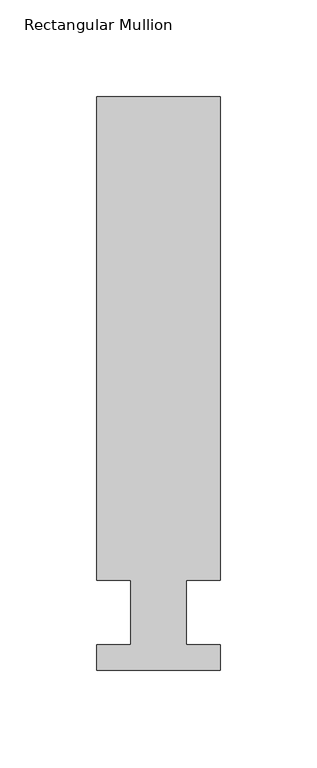
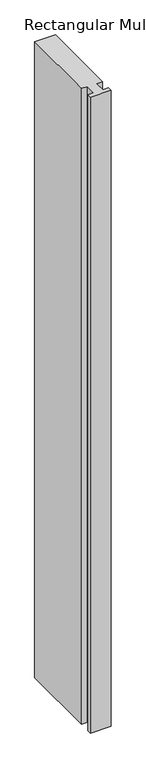
"""IFC4 building model written with IfcOpenShell, lengths in millimetres: member geometry, Rectangular Mullion."""

import ifcopenshell
import ifcopenshell.guid

model = None  # the IFC model being written
_history = None  # IfcOwnerHistory: only IFC2X3 demands one
_inside = {}  # id of a spatial element -> (the spatial element, [elements in it])
_under = {}  # id of a project, library or spatial element -> (it, [spatial elements below it])
_declared = {}  # id of a project -> (the project, [libraries it declares])
_typed = {}  # id of a type object -> (the type object, [elements of that type])
_made_of = {}  # id of a material, layer set ... -> (it, [elements and type objects made of it])


def new_model(schema):
    """Start an empty IFC model of exactly this schema.

    Asked for "IFC4X3", IfcOpenShell would pick the latest addendum, in which some entities
    have other attributes; the version numbers below select the first issue.
    IFC2X3 requires an IfcOwnerHistory on every rooted entity: one is made here for all.
    """
    global model, _history
    if schema == "IFC4X3":
        model = ifcopenshell.file(schema_version=(4, 3, 0, 0))
    else:
        model = ifcopenshell.file(schema=schema)
    _inside.clear()
    _under.clear()
    _declared.clear()
    _typed.clear()
    _made_of.clear()
    _history = None
    if model.schema == "IFC2X3":
        org = make("IfcOrganization", Name="unknown")
        user = make(
            "IfcPersonAndOrganization",
            ThePerson=make("IfcPerson", FamilyName="unknown"),
            TheOrganization=org,
        )
        app = make(
            "IfcApplication",
            ApplicationDeveloper=org,
            Version="unknown",
            ApplicationFullName="unknown",
            ApplicationIdentifier="unknown",
        )
        _history = make(
            "IfcOwnerHistory",
            OwningUser=user,
            OwningApplication=app,
            ChangeAction="ADDED",
            CreationDate=0,
        )
    return model


def make(cls, **values):
    """One entity of the class cls with the attributes given. An attribute that is None is left unset."""
    return model.create_entity(
        cls, **{name: value for name, value in values.items() if value is not None}
    )


def rooted(cls, **values):
    """An entity with a GlobalId (a new one), such as an element, a storey or a relation."""
    return make(cls, GlobalId=ifcopenshell.guid.new(), OwnerHistory=_history, **values)


def si_unit(unit_type, name, prefix=None):
    """IfcSIUnit, for example si_unit("LENGTHUNIT", "METRE", prefix="MILLI")."""
    return make("IfcSIUnit", UnitType=unit_type, Prefix=prefix, Name=name)


def assignment(units):
    """IfcUnitAssignment: the units of a project."""
    return None if units is None else make("IfcUnitAssignment", Units=units)


def point(xyz):
    """IfcCartesianPoint."""
    return None if xyz is None else make("IfcCartesianPoint", Coordinates=xyz)


def direction(xyz):
    """IfcDirection."""
    return None if xyz is None else make("IfcDirection", DirectionRatios=xyz)


def frame(location, z_axis=None, x_axis=None):
    """IfcAxis2Placement3D, a coordinate frame: its origin and axes. An axis left out is left unset."""
    return make(
        "IfcAxis2Placement3D",
        Location=point(location),
        Axis=direction(z_axis),
        RefDirection=direction(x_axis),
    )


def origin():
    """The frame at (0, 0, 0) with its axes left unset."""
    return frame((0.0, 0.0, 0.0))


def place(relative_to, where):
    """IfcLocalPlacement: puts the frame where relative to a parent placement (None: the world)."""
    return make(
        "IfcLocalPlacement", PlacementRelTo=relative_to, RelativePlacement=where
    )


def context(
    kind, dimensions, precision=None, world=None, true_north=None, identifier=None
):
    """IfcGeometricRepresentationContext, for example the 3D "Model" context."""
    return make(
        "IfcGeometricRepresentationContext",
        ContextIdentifier=identifier,
        ContextType=kind,
        CoordinateSpaceDimension=dimensions,
        Precision=precision,
        WorldCoordinateSystem=world,
        TrueNorth=true_north,
    )


def project(units=None, contexts=None):
    """IfcProject with its units and contexts."""
    return rooted(
        "IfcProject",
        Name="project",
        RepresentationContexts=contexts,
        UnitsInContext=assignment(units),
    )


def spatial(cls, under=None, at=None, **own):
    """A site, building, storey or space (cls), placed at a placement, below another one or the project."""
    s = rooted(cls, ObjectPlacement=at, **own)
    if under is not None:
        _under.setdefault(under.id(), (under, []))[1].append(s)
    return s


def polyline(points):
    """IfcPolyline through the points."""
    return make("IfcPolyline", Points=[point(p) for p in points])


def outline(outer, holes=None, kind="AREA"):
    """IfcArbitraryClosedProfileDef: a profile drawn as a closed curve; with holes, ...WithVoids."""
    if holes is None:
        return make("IfcArbitraryClosedProfileDef", ProfileType=kind, OuterCurve=outer)
    return make(
        "IfcArbitraryProfileDefWithVoids",
        ProfileType=kind,
        OuterCurve=outer,
        InnerCurves=holes,
    )


def extrude(swept, where, along, depth):
    """IfcExtrudedAreaSolid: the profile swept, set in the frame where, extruded along a direction by depth."""
    return make(
        "IfcExtrudedAreaSolid",
        SweptArea=swept,
        Position=where,
        ExtrudedDirection=direction(along),
        Depth=depth,
    )


def shape(context_of_items, identifier, shape_type, items):
    """IfcShapeRepresentation: the items that make up one representation, for example the "Body"."""
    return make(
        "IfcShapeRepresentation",
        ContextOfItems=context_of_items,
        RepresentationIdentifier=identifier,
        RepresentationType=shape_type,
        Items=items,
    )


def source(mapping_origin, context_of_items, identifier, shape_type, items):
    """IfcRepresentationMap: a shape defined once, which mapped items show again and again."""
    return make(
        "IfcRepresentationMap",
        MappingOrigin=mapping_origin,
        MappedRepresentation=shape(context_of_items, identifier, shape_type, items),
    )


def transform(
    local_origin,
    x_axis=None,
    y_axis=None,
    z_axis=None,
    scale=None,
    scale2=None,
    scale3=None,
    uniform=True,
):
    """IfcCartesianTransformationOperator3D, or its non-uniform kind. x_axis, y_axis, z_axis: its Axis1, 2, 3."""
    if uniform:
        return make(
            "IfcCartesianTransformationOperator3D",
            Axis1=direction(x_axis),
            Axis2=direction(y_axis),
            LocalOrigin=point(local_origin),
            Scale=scale,
            Axis3=direction(z_axis),
        )
    return make(
        "IfcCartesianTransformationOperator3DnonUniform",
        Axis1=direction(x_axis),
        Axis2=direction(y_axis),
        LocalOrigin=point(local_origin),
        Scale=scale,
        Axis3=direction(z_axis),
        Scale2=scale2,
        Scale3=scale3,
    )


def mapped(mapping_source, mapping_target):
    """IfcMappedItem: shows the shape of a source again, moved by a transform."""
    return make(
        "IfcMappedItem", MappingSource=mapping_source, MappingTarget=mapping_target
    )


def made_of(thing, what):
    """Note that an element or type object is made of a material, layer set ...; save() writes the relation."""
    if what is not None:
        _made_of.setdefault(what.id(), (what, []))[1].append(thing)
    return thing


def element(
    cls,
    number,
    at=None,
    inside=None,
    cuts=None,
    type_object=None,
    material=None,
    context=None,
    identifier="Body",
    shape_type=None,
    held_by="IfcProductDefinitionShape",
    body=None,
    shapes=None,
    **own,
):
    """One element of the class cls, such as IfcWall. Its Tag is "e" and its number.

    at: its placement. inside: the storey or other place that contains it. cuts: it is an
    opening in that element (IfcRelVoidsElement). A single representation is given by context,
    identifier, shape_type and body (its items); several are given by shapes. held_by: the class
    of the entity that holds the representations. save() writes the other relations.
    """
    e = rooted(cls, Tag="e%d" % number, ObjectPlacement=at, **own)
    if body is not None:
        shapes = [shape(context, identifier, shape_type, body)]
    if shapes is not None:
        e.Representation = make(held_by, Representations=shapes)
    if inside is not None:
        _inside.setdefault(inside.id(), (inside, []))[1].append(e)
    if cuts is not None:
        rooted(
            "IfcRelVoidsElement", RelatingBuildingElement=cuts, RelatedOpeningElement=e
        )
    if type_object is not None:
        _typed.setdefault(type_object.id(), (type_object, []))[1].append(e)
    return made_of(e, material)


def aggregate(whole, parts):
    """IfcRelAggregates: a whole, such as a stair, and the parts it consists of."""
    return rooted("IfcRelAggregates", RelatingObject=whole, RelatedObjects=parts)


def save(model, path):
    """Write the relations noted so far, then the file.

    IfcRelAggregates (storeys below a building ...), IfcRelContainedInSpatialStructure (elements
    in a storey), IfcRelDefinesByType, IfcRelAssociatesMaterial and IfcRelDeclares: one each for
    every whole, place, type object, material and project.
    """
    for whole, parts in _under.values():
        aggregate(whole, parts)
    for where, things in _inside.values():
        rooted(
            "IfcRelContainedInSpatialStructure",
            RelatedElements=things,
            RelatingStructure=where,
        )
    for kind, things in _typed.values():
        rooted("IfcRelDefinesByType", RelatedObjects=things, RelatingType=kind)
    for what, things in _made_of.values():
        rooted("IfcRelAssociatesMaterial", RelatedObjects=things, RelatingMaterial=what)
    for by, libraries in _declared.values():
        rooted("IfcRelDeclares", RelatingContext=by, RelatedDefinitions=libraries)
    model.write(path)


def rectangular_mullion_851b5a80(model_context):
    return source(origin(), model_context, "Body", "SweptSolid", [
        extrude(outline(polyline([(31.7500002, 295.9695313), (31.7500002, 46.7447312), (14.2748003, 46.7447312), (14.2748003, 13.3945312), (31.7499998, 13.3945312), (31.7499998, 0.2119312), (-31.7500002, 0.2119312), (-31.7500002, 13.3945312), (-14.2748007, 13.3945312), (-14.2748007, 46.7447312), (-31.7500007, 46.7447312), (-31.7500007, 295.9695313), (31.7500002, 295.9695313)])), frame((0.0, 0.0, -2057.4), z_axis=(0.0, 0.0, 1.0), x_axis=(1.0, 0.0, 0.0)), (0.0, 0.0, 1.0), 2057.4),
    ])


if __name__ == "__main__":
    model = new_model("IFC4")
    model_context = context("Model", 3, world=origin())
    ifc_project = project(units=[si_unit("LENGTHUNIT", "METRE", prefix="MILLI")], contexts=[model_context])
    site = spatial("IfcSite", under=ifc_project)
    building = spatial("IfcBuilding", under=site)
    placement = place(None, origin())
    rectangular_mullion_shape = rectangular_mullion_851b5a80(model_context)
    element("IfcMember", 1, ObjectType="Rectangular Mullion", at=placement, inside=building, context=model_context, shape_type="MappedRepresentation", body=[
        mapped(rectangular_mullion_shape, transform((0.0, 0.0, 0.0), x_axis=(1.0, 0.0, 0.0), y_axis=(0.0, 1.0, 0.0), z_axis=(0.0, 0.0, 1.0))),
    ])
    save(model, "model.ifc")
